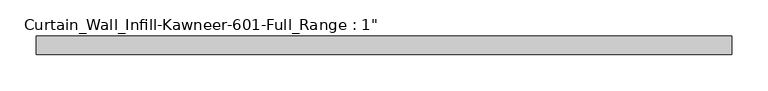
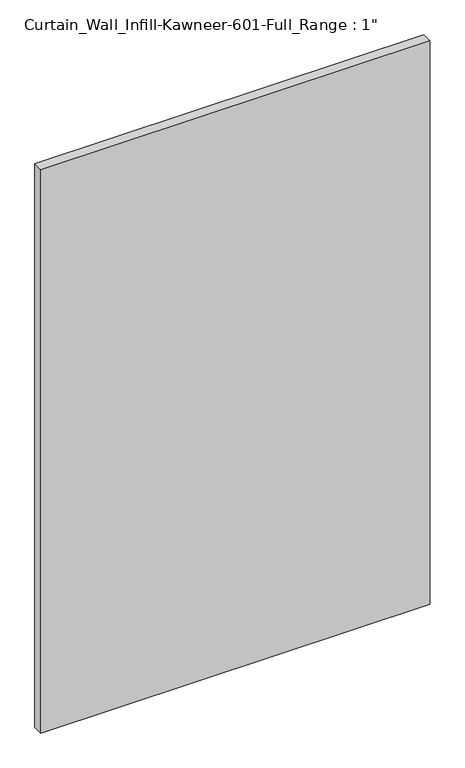
"""IFC4 building model written with IfcOpenShell, lengths in millimetres: plate geometry."""

import ifcopenshell
import ifcopenshell.guid

model = None  # the IFC model being written
_history = None  # IfcOwnerHistory: only IFC2X3 demands one
_inside = {}  # id of a spatial element -> (the spatial element, [elements in it])
_under = {}  # id of a project, library or spatial element -> (it, [spatial elements below it])
_declared = {}  # id of a project -> (the project, [libraries it declares])
_typed = {}  # id of a type object -> (the type object, [elements of that type])
_made_of = {}  # id of a material, layer set ... -> (it, [elements and type objects made of it])


def new_model(schema):
    """Start an empty IFC model of exactly this schema.

    Asked for "IFC4X3", IfcOpenShell would pick the latest addendum, in which some entities
    have other attributes; the version numbers below select the first issue.
    IFC2X3 requires an IfcOwnerHistory on every rooted entity: one is made here for all.
    """
    global model, _history
    if schema == "IFC4X3":
        model = ifcopenshell.file(schema_version=(4, 3, 0, 0))
    else:
        model = ifcopenshell.file(schema=schema)
    _inside.clear()
    _under.clear()
    _declared.clear()
    _typed.clear()
    _made_of.clear()
    _history = None
    if model.schema == "IFC2X3":
        org = make("IfcOrganization", Name="unknown")
        user = make(
            "IfcPersonAndOrganization",
            ThePerson=make("IfcPerson", FamilyName="unknown"),
            TheOrganization=org,
        )
        app = make(
            "IfcApplication",
            ApplicationDeveloper=org,
            Version="unknown",
            ApplicationFullName="unknown",
            ApplicationIdentifier="unknown",
        )
        _history = make(
            "IfcOwnerHistory",
            OwningUser=user,
            OwningApplication=app,
            ChangeAction="ADDED",
            CreationDate=0,
        )
    return model


def make(cls, **values):
    """One entity of the class cls with the attributes given. An attribute that is None is left unset."""
    return model.create_entity(
        cls, **{name: value for name, value in values.items() if value is not None}
    )


def rooted(cls, **values):
    """An entity with a GlobalId (a new one), such as an element, a storey or a relation."""
    return make(cls, GlobalId=ifcopenshell.guid.new(), OwnerHistory=_history, **values)


def si_unit(unit_type, name, prefix=None):
    """IfcSIUnit, for example si_unit("LENGTHUNIT", "METRE", prefix="MILLI")."""
    return make("IfcSIUnit", UnitType=unit_type, Prefix=prefix, Name=name)


def assignment(units):
    """IfcUnitAssignment: the units of a project."""
    return None if units is None else make("IfcUnitAssignment", Units=units)


def point(xyz):
    """IfcCartesianPoint."""
    return None if xyz is None else make("IfcCartesianPoint", Coordinates=xyz)


def direction(xyz):
    """IfcDirection."""
    return None if xyz is None else make("IfcDirection", DirectionRatios=xyz)


def frame(location, z_axis=None, x_axis=None):
    """IfcAxis2Placement3D, a coordinate frame: its origin and axes. An axis left out is left unset."""
    return make(
        "IfcAxis2Placement3D",
        Location=point(location),
        Axis=direction(z_axis),
        RefDirection=direction(x_axis),
    )


def origin():
    """The frame at (0, 0, 0) with its axes left unset."""
    return frame((0.0, 0.0, 0.0))


def origin_with_axes():
    """The frame at (0, 0, 0) with the z axis (0, 0, 1) and the x axis (1, 0, 0) written out."""
    return frame((0.0, 0.0, 0.0), z_axis=(0.0, 0.0, 1.0), x_axis=(1.0, 0.0, 0.0))


def place(relative_to, where):
    """IfcLocalPlacement: puts the frame where relative to a parent placement (None: the world)."""
    return make(
        "IfcLocalPlacement", PlacementRelTo=relative_to, RelativePlacement=where
    )


def context(
    kind, dimensions, precision=None, world=None, true_north=None, identifier=None
):
    """IfcGeometricRepresentationContext, for example the 3D "Model" context."""
    return make(
        "IfcGeometricRepresentationContext",
        ContextIdentifier=identifier,
        ContextType=kind,
        CoordinateSpaceDimension=dimensions,
        Precision=precision,
        WorldCoordinateSystem=world,
        TrueNorth=true_north,
    )


def project(units=None, contexts=None):
    """IfcProject with its units and contexts."""
    return rooted(
        "IfcProject",
        Name="project",
        RepresentationContexts=contexts,
        UnitsInContext=assignment(units),
    )


def spatial(cls, under=None, at=None, **own):
    """A site, building, storey or space (cls), placed at a placement, below another one or the project."""
    s = rooted(cls, ObjectPlacement=at, **own)
    if under is not None:
        _under.setdefault(under.id(), (under, []))[1].append(s)
    return s


def polyline(points):
    """IfcPolyline through the points."""
    return make("IfcPolyline", Points=[point(p) for p in points])


def outline(outer, holes=None, kind="AREA"):
    """IfcArbitraryClosedProfileDef: a profile drawn as a closed curve; with holes, ...WithVoids."""
    if holes is None:
        return make("IfcArbitraryClosedProfileDef", ProfileType=kind, OuterCurve=outer)
    return make(
        "IfcArbitraryProfileDefWithVoids",
        ProfileType=kind,
        OuterCurve=outer,
        InnerCurves=holes,
    )


def extrude(swept, where, along, depth):
    """IfcExtrudedAreaSolid: the profile swept, set in the frame where, extruded along a direction by depth."""
    return make(
        "IfcExtrudedAreaSolid",
        SweptArea=swept,
        Position=where,
        ExtrudedDirection=direction(along),
        Depth=depth,
    )


def shape(context_of_items, identifier, shape_type, items):
    """IfcShapeRepresentation: the items that make up one representation, for example the "Body"."""
    return make(
        "IfcShapeRepresentation",
        ContextOfItems=context_of_items,
        RepresentationIdentifier=identifier,
        RepresentationType=shape_type,
        Items=items,
    )


def source(mapping_origin, context_of_items, identifier, shape_type, items):
    """IfcRepresentationMap: a shape defined once, which mapped items show again and again."""
    return make(
        "IfcRepresentationMap",
        MappingOrigin=mapping_origin,
        MappedRepresentation=shape(context_of_items, identifier, shape_type, items),
    )


def transform(
    local_origin,
    x_axis=None,
    y_axis=None,
    z_axis=None,
    scale=None,
    scale2=None,
    scale3=None,
    uniform=True,
):
    """IfcCartesianTransformationOperator3D, or its non-uniform kind. x_axis, y_axis, z_axis: its Axis1, 2, 3."""
    if uniform:
        return make(
            "IfcCartesianTransformationOperator3D",
            Axis1=direction(x_axis),
            Axis2=direction(y_axis),
            LocalOrigin=point(local_origin),
            Scale=scale,
            Axis3=direction(z_axis),
        )
    return make(
        "IfcCartesianTransformationOperator3DnonUniform",
        Axis1=direction(x_axis),
        Axis2=direction(y_axis),
        LocalOrigin=point(local_origin),
        Scale=scale,
        Axis3=direction(z_axis),
        Scale2=scale2,
        Scale3=scale3,
    )


def mapped(mapping_source, mapping_target):
    """IfcMappedItem: shows the shape of a source again, moved by a transform."""
    return make(
        "IfcMappedItem", MappingSource=mapping_source, MappingTarget=mapping_target
    )


def made_of(thing, what):
    """Note that an element or type object is made of a material, layer set ...; save() writes the relation."""
    if what is not None:
        _made_of.setdefault(what.id(), (what, []))[1].append(thing)
    return thing


def element(
    cls,
    number,
    at=None,
    inside=None,
    cuts=None,
    type_object=None,
    material=None,
    context=None,
    identifier="Body",
    shape_type=None,
    held_by="IfcProductDefinitionShape",
    body=None,
    shapes=None,
    **own,
):
    """One element of the class cls, such as IfcWall. Its Tag is "e" and its number.

    at: its placement. inside: the storey or other place that contains it. cuts: it is an
    opening in that element (IfcRelVoidsElement). A single representation is given by context,
    identifier, shape_type and body (its items); several are given by shapes. held_by: the class
    of the entity that holds the representations. save() writes the other relations.
    """
    e = rooted(cls, Tag="e%d" % number, ObjectPlacement=at, **own)
    if body is not None:
        shapes = [shape(context, identifier, shape_type, body)]
    if shapes is not None:
        e.Representation = make(held_by, Representations=shapes)
    if inside is not None:
        _inside.setdefault(inside.id(), (inside, []))[1].append(e)
    if cuts is not None:
        rooted(
            "IfcRelVoidsElement", RelatingBuildingElement=cuts, RelatedOpeningElement=e
        )
    if type_object is not None:
        _typed.setdefault(type_object.id(), (type_object, []))[1].append(e)
    return made_of(e, material)


def aggregate(whole, parts):
    """IfcRelAggregates: a whole, such as a stair, and the parts it consists of."""
    return rooted("IfcRelAggregates", RelatingObject=whole, RelatedObjects=parts)


def save(model, path):
    """Write the relations noted so far, then the file.

    IfcRelAggregates (storeys below a building ...), IfcRelContainedInSpatialStructure (elements
    in a storey), IfcRelDefinesByType, IfcRelAssociatesMaterial and IfcRelDeclares: one each for
    every whole, place, type object, material and project.
    """
    for whole, parts in _under.values():
        aggregate(whole, parts)
    for where, things in _inside.values():
        rooted(
            "IfcRelContainedInSpatialStructure",
            RelatedElements=things,
            RelatingStructure=where,
        )
    for kind, things in _typed.values():
        rooted("IfcRelDefinesByType", RelatedObjects=things, RelatingType=kind)
    for what, things in _made_of.values():
        rooted("IfcRelAssociatesMaterial", RelatedObjects=things, RelatingMaterial=what)
    for by, libraries in _declared.values():
        rooted("IfcRelDeclares", RelatingContext=by, RelatedDefinitions=libraries)
    model.write(path)


def plate_9f263ef5(model_context):
    return source(origin(), model_context, "Body", "SweptSolid", [
        extrude(outline(polyline([(-479.425, 12.7), (479.425, 12.7), (479.425, -12.7), (-479.425, -12.7), (-479.425, 12.7)])), origin_with_axes(), (0.0, 0.0, 1.0), 1466.85),
    ])


if __name__ == "__main__":
    model = new_model("IFC4")
    model_context = context("Model", 3, world=origin())
    ifc_project = project(units=[si_unit("LENGTHUNIT", "METRE", prefix="MILLI")], contexts=[model_context])
    site = spatial("IfcSite", under=ifc_project)
    building = spatial("IfcBuilding", under=site)
    placement = place(None, origin())
    plate_shape = plate_9f263ef5(model_context)
    element("IfcPlate", 1, ObjectType="Curtain_Wall_Infill-Kawneer-601-Full_Range : 1\"", at=placement, inside=building, context=model_context, shape_type="MappedRepresentation", body=[
        mapped(plate_shape, transform((0.0, 0.0, 0.0), x_axis=(1.0, 0.0, 0.0), y_axis=(0.0, 1.0, 0.0), z_axis=(0.0, 0.0, 1.0))),
    ])
    save(model, "model.ifc")
